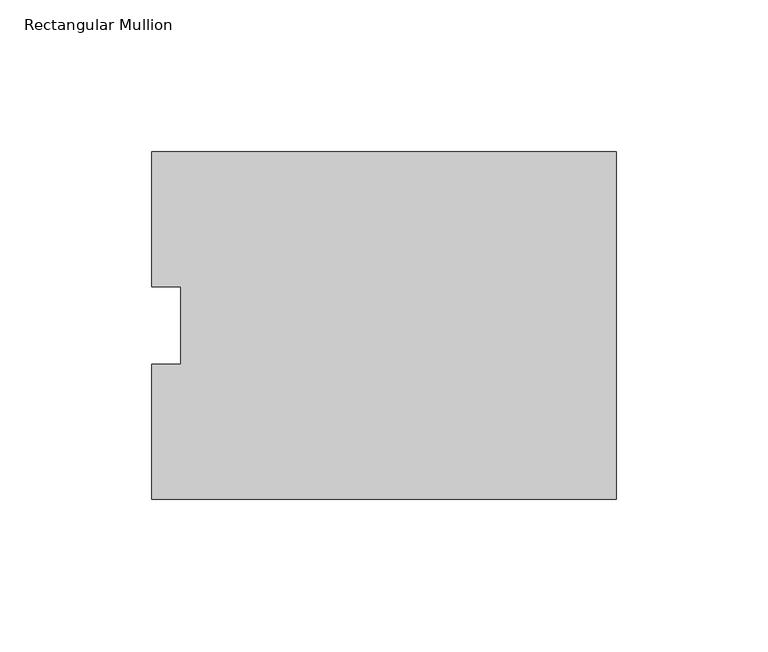
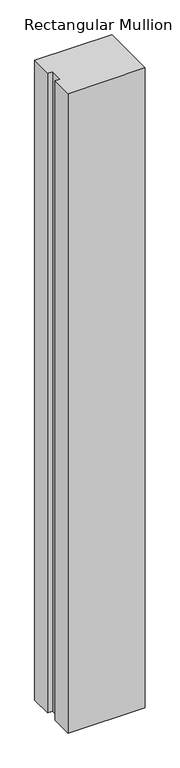
"""IFC4 building model written with IfcOpenShell, lengths in millimetres: member geometry, Rectangular Mullion."""

from ifc_helpers import new_model, si_unit, frame, origin, place, context, project, spatial, polyline, outline, extrude, source, transform, mapped, element, save


def rectangular_mullion_68691065(model_context):
    return source(origin(), model_context, "Body", "SweptSolid", [
        extrude(outline(polyline([(0.0, -57.1799722), (-152.803098, -57.1799722), (-152.803098, -12.7849113), (-143.278098, -12.7849113), (-143.278098, 12.702787), (-152.803098, 12.702787), (-152.803098, 57.1200913), (0.0, 57.1200913), (0.0, -57.1799722)])), frame((0.0, 0.0, -1339.85), z_axis=(0.0, 0.0, 1.0), x_axis=(1.0, 0.0, 0.0)), (0.0, 0.0, 1.0), 1339.85),
    ])


if __name__ == "__main__":
    model = new_model("IFC4")
    model_context = context("Model", 3, world=origin())
    ifc_project = project(units=[si_unit("LENGTHUNIT", "METRE", prefix="MILLI")], contexts=[model_context])
    site = spatial("IfcSite", under=ifc_project)
    building = spatial("IfcBuilding", under=site)
    placement = place(None, origin())
    rectangular_mullion_shape = rectangular_mullion_68691065(model_context)
    element("IfcMember", 1, ObjectType="Rectangular Mullion", at=placement, inside=building, context=model_context, shape_type="MappedRepresentation", body=[
        mapped(rectangular_mullion_shape, transform((0.0, 0.0, 0.0), x_axis=(1.0, 0.0, 0.0), y_axis=(0.0, 1.0, 0.0), z_axis=(0.0, 0.0, 1.0))),
    ])
    save(model, "model.ifc")
